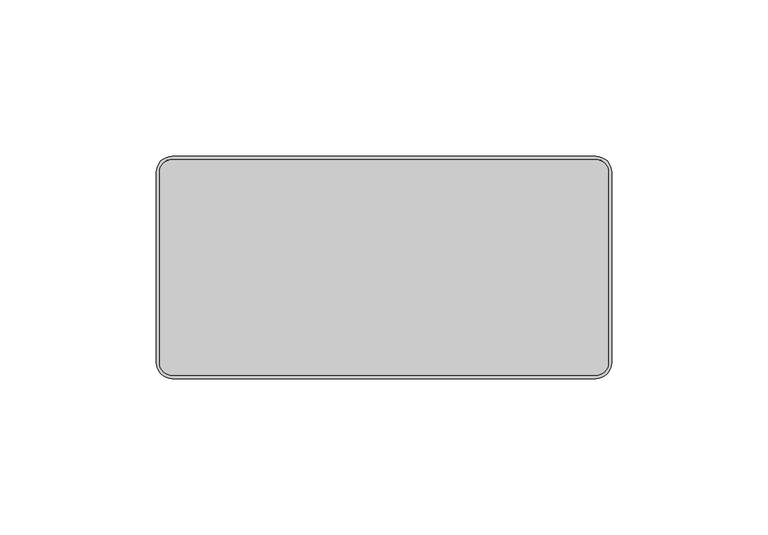
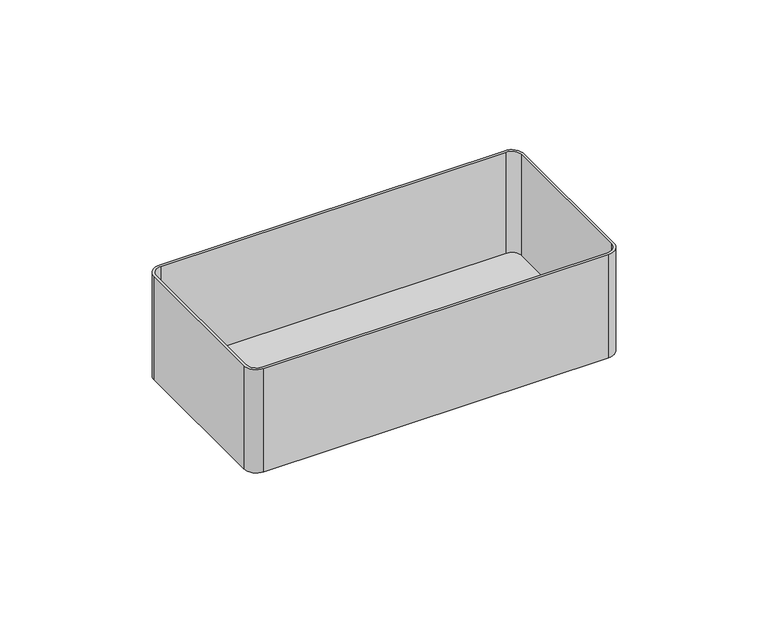
"""IFC4 building model written with IfcOpenShell, lengths in millimetres: proxy geometry."""

from ifc_helpers import new_model, si_unit, point, frame, frame_2d, origin, place, context, project, spatial, polyline, circle_curve, trimmed, segment, composite_curve, outline, extrude, source, transform, mapped, element, save


def electrical_fixtures_2f9a000c(model_context):
    return source(origin(), model_context, "Body", "SweptSolid", [
        extrude(outline(composite_curve([segment(polyline([(-67.75, 34.5), (67.75, 34.5)]), True, "CONTINUOUS"), segment(trimmed(circle_curve(frame_2d((67.75, 30.5)), 4.0), [point((67.75, 34.5))], [point((71.75, 30.5))], False, "CARTESIAN"), True, "CONTINUOUS"), segment(polyline([(71.75, 30.5), (71.75, -30.5)]), True, "CONTINUOUS"), segment(trimmed(circle_curve(frame_2d((67.75, -30.5)), 4.0), [point((71.75, -30.5))], [point((67.75, -34.5))], False, "CARTESIAN"), True, "CONTINUOUS"), segment(polyline([(67.75, -34.5), (-67.75, -34.5)]), True, "CONTINUOUS"), segment(trimmed(circle_curve(frame_2d((-67.75, -30.5)), 4.0), [point((-67.75, -34.5))], [point((-71.75, -30.5))], False, "CARTESIAN"), True, "CONTINUOUS"), segment(polyline([(-71.75, -30.5), (-71.75, 30.5)]), True, "CONTINUOUS"), segment(trimmed(circle_curve(frame_2d((-67.75, 30.5)), 4.0), [point((-71.75, 30.5))], [point((-67.75, 34.5))], False, "CARTESIAN"), True, "CONTINUOUS")], self_intersect=False)), frame((0.0, 0.0, -43.0), z_axis=(0.0, 0.0, 1.0), x_axis=(1.0, 0.0, 0.0)), (0.0, 0.0, 1.0), 1.0),
        extrude(outline(composite_curve([segment(polyline([(-72.75, -30.5), (-72.75, 30.5)]), True, "CONTINUOUS"), segment(trimmed(circle_curve(frame_2d((-67.75, 30.5)), 5.0), [point((-72.75, 30.5))], [point((-67.75, 35.5))], False, "CARTESIAN"), True, "CONTINUOUS"), segment(polyline([(-67.75, 35.5), (67.75, 35.5)]), True, "CONTINUOUS"), segment(trimmed(circle_curve(frame_2d((67.75, 30.5)), 5.0), [point((67.75, 35.5))], [point((72.75, 30.5))], False, "CARTESIAN"), True, "CONTINUOUS"), segment(polyline([(72.75, 30.5), (72.75, -30.5)]), True, "CONTINUOUS"), segment(trimmed(circle_curve(frame_2d((67.75, -30.5)), 5.0), [point((72.75, -30.5))], [point((67.75, -35.5))], False, "CARTESIAN"), True, "CONTINUOUS"), segment(polyline([(67.75, -35.5), (-67.75, -35.5)]), True, "CONTINUOUS"), segment(trimmed(circle_curve(frame_2d((-67.75, -30.5)), 5.0), [point((-67.75, -35.5))], [point((-72.75, -30.5))], False, "CARTESIAN"), True, "CONTINUOUS")], self_intersect=False), holes=[composite_curve([segment(trimmed(circle_curve(frame_2d((-67.75, -30.5)), 4.0), [point((-71.75, -30.5))], [point((-67.75, -34.5))], True, "CARTESIAN"), True, "CONTINUOUS"), segment(polyline([(-67.75, -34.5), (67.75, -34.5)]), True, "CONTINUOUS"), segment(trimmed(circle_curve(frame_2d((67.75, -30.5)), 4.0), [point((67.75, -34.5))], [point((71.75, -30.5))], True, "CARTESIAN"), True, "CONTINUOUS"), segment(polyline([(71.75, -30.5), (71.75, 30.5)]), True, "CONTINUOUS"), segment(trimmed(circle_curve(frame_2d((67.75, 30.5)), 4.0), [point((71.75, 30.5))], [point((67.75, 34.5))], True, "CARTESIAN"), True, "CONTINUOUS"), segment(polyline([(67.75, 34.5), (-67.75, 34.5)]), True, "CONTINUOUS"), segment(trimmed(circle_curve(frame_2d((-67.75, 30.5)), 4.0), [point((-67.75, 34.5))], [point((-71.75, 30.5))], True, "CARTESIAN"), True, "CONTINUOUS"), segment(polyline([(-71.75, 30.5), (-71.75, -30.5)]), True, "CONTINUOUS")], self_intersect=False)]), frame((0.0, 0.0, -43.0), z_axis=(0.0, 0.0, 1.0), x_axis=(1.0, 0.0, 0.0)), (0.0, 0.0, 1.0), 43.0),
    ])


if __name__ == "__main__":
    model = new_model("IFC4")
    model_context = context("Model", 3, world=origin())
    ifc_project = project(units=[si_unit("LENGTHUNIT", "METRE", prefix="MILLI")], contexts=[model_context])
    site = spatial("IfcSite", under=ifc_project)
    building = spatial("IfcBuilding", under=site)
    placement = place(None, origin())
    electrical_fixtures_shape = electrical_fixtures_2f9a000c(model_context)
    element("IfcBuildingElementProxy", 1, Name="Electrical Fixtures", at=placement, inside=building, context=model_context, shape_type="MappedRepresentation", body=[
        mapped(electrical_fixtures_shape, transform((0.0, 0.0, 0.0), x_axis=(1.0, 0.0, 0.0), y_axis=(0.0, 1.0, 0.0), z_axis=(0.0, 0.0, 1.0))),
    ])
    save(model, "model.ifc")
